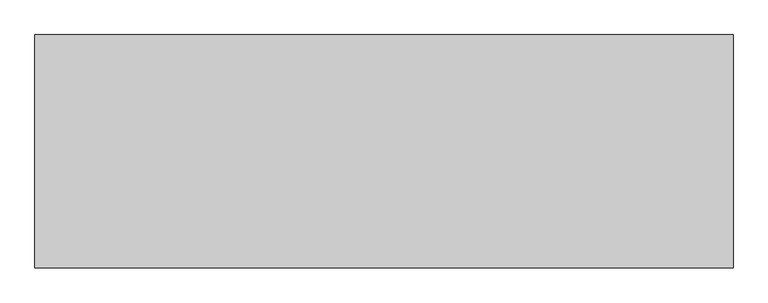
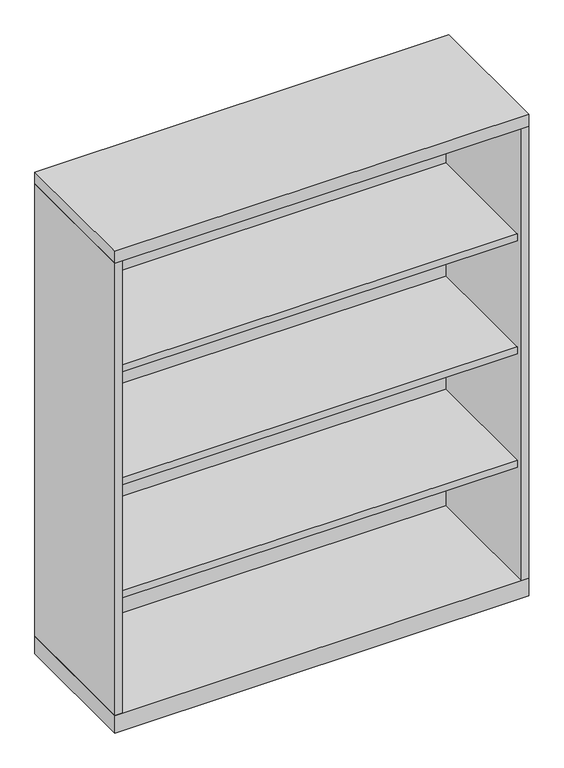
"""IFC4 building model written with IfcOpenShell, lengths in millimetres: furniture geometry."""

import ifcopenshell
import ifcopenshell.guid

model = None  # the IFC model being written
_history = None  # IfcOwnerHistory: only IFC2X3 demands one
_inside = {}  # id of a spatial element -> (the spatial element, [elements in it])
_under = {}  # id of a project, library or spatial element -> (it, [spatial elements below it])
_declared = {}  # id of a project -> (the project, [libraries it declares])
_typed = {}  # id of a type object -> (the type object, [elements of that type])
_made_of = {}  # id of a material, layer set ... -> (it, [elements and type objects made of it])


def new_model(schema):
    """Start an empty IFC model of exactly this schema.

    Asked for "IFC4X3", IfcOpenShell would pick the latest addendum, in which some entities
    have other attributes; the version numbers below select the first issue.
    IFC2X3 requires an IfcOwnerHistory on every rooted entity: one is made here for all.
    """
    global model, _history
    if schema == "IFC4X3":
        model = ifcopenshell.file(schema_version=(4, 3, 0, 0))
    else:
        model = ifcopenshell.file(schema=schema)
    _inside.clear()
    _under.clear()
    _declared.clear()
    _typed.clear()
    _made_of.clear()
    _history = None
    if model.schema == "IFC2X3":
        org = make("IfcOrganization", Name="unknown")
        user = make(
            "IfcPersonAndOrganization",
            ThePerson=make("IfcPerson", FamilyName="unknown"),
            TheOrganization=org,
        )
        app = make(
            "IfcApplication",
            ApplicationDeveloper=org,
            Version="unknown",
            ApplicationFullName="unknown",
            ApplicationIdentifier="unknown",
        )
        _history = make(
            "IfcOwnerHistory",
            OwningUser=user,
            OwningApplication=app,
            ChangeAction="ADDED",
            CreationDate=0,
        )
    return model


def make(cls, **values):
    """One entity of the class cls with the attributes given. An attribute that is None is left unset."""
    return model.create_entity(
        cls, **{name: value for name, value in values.items() if value is not None}
    )


def rooted(cls, **values):
    """An entity with a GlobalId (a new one), such as an element, a storey or a relation."""
    return make(cls, GlobalId=ifcopenshell.guid.new(), OwnerHistory=_history, **values)


def si_unit(unit_type, name, prefix=None):
    """IfcSIUnit, for example si_unit("LENGTHUNIT", "METRE", prefix="MILLI")."""
    return make("IfcSIUnit", UnitType=unit_type, Prefix=prefix, Name=name)


def assignment(units):
    """IfcUnitAssignment: the units of a project."""
    return None if units is None else make("IfcUnitAssignment", Units=units)


def point(xyz):
    """IfcCartesianPoint."""
    return None if xyz is None else make("IfcCartesianPoint", Coordinates=xyz)


def direction(xyz):
    """IfcDirection."""
    return None if xyz is None else make("IfcDirection", DirectionRatios=xyz)


def frame(location, z_axis=None, x_axis=None):
    """IfcAxis2Placement3D, a coordinate frame: its origin and axes. An axis left out is left unset."""
    return make(
        "IfcAxis2Placement3D",
        Location=point(location),
        Axis=direction(z_axis),
        RefDirection=direction(x_axis),
    )


def origin():
    """The frame at (0, 0, 0) with its axes left unset."""
    return frame((0.0, 0.0, 0.0))


def origin_with_axes():
    """The frame at (0, 0, 0) with the z axis (0, 0, 1) and the x axis (1, 0, 0) written out."""
    return frame((0.0, 0.0, 0.0), z_axis=(0.0, 0.0, 1.0), x_axis=(1.0, 0.0, 0.0))


def place(relative_to, where):
    """IfcLocalPlacement: puts the frame where relative to a parent placement (None: the world)."""
    return make(
        "IfcLocalPlacement", PlacementRelTo=relative_to, RelativePlacement=where
    )


def context(
    kind, dimensions, precision=None, world=None, true_north=None, identifier=None
):
    """IfcGeometricRepresentationContext, for example the 3D "Model" context."""
    return make(
        "IfcGeometricRepresentationContext",
        ContextIdentifier=identifier,
        ContextType=kind,
        CoordinateSpaceDimension=dimensions,
        Precision=precision,
        WorldCoordinateSystem=world,
        TrueNorth=true_north,
    )


def project(units=None, contexts=None):
    """IfcProject with its units and contexts."""
    return rooted(
        "IfcProject",
        Name="project",
        RepresentationContexts=contexts,
        UnitsInContext=assignment(units),
    )


def spatial(cls, under=None, at=None, **own):
    """A site, building, storey or space (cls), placed at a placement, below another one or the project."""
    s = rooted(cls, ObjectPlacement=at, **own)
    if under is not None:
        _under.setdefault(under.id(), (under, []))[1].append(s)
    return s


def polyline(points):
    """IfcPolyline through the points."""
    return make("IfcPolyline", Points=[point(p) for p in points])


def outline(outer, holes=None, kind="AREA"):
    """IfcArbitraryClosedProfileDef: a profile drawn as a closed curve; with holes, ...WithVoids."""
    if holes is None:
        return make("IfcArbitraryClosedProfileDef", ProfileType=kind, OuterCurve=outer)
    return make(
        "IfcArbitraryProfileDefWithVoids",
        ProfileType=kind,
        OuterCurve=outer,
        InnerCurves=holes,
    )


def extrude(swept, where, along, depth):
    """IfcExtrudedAreaSolid: the profile swept, set in the frame where, extruded along a direction by depth."""
    return make(
        "IfcExtrudedAreaSolid",
        SweptArea=swept,
        Position=where,
        ExtrudedDirection=direction(along),
        Depth=depth,
    )


def shape(context_of_items, identifier, shape_type, items):
    """IfcShapeRepresentation: the items that make up one representation, for example the "Body"."""
    return make(
        "IfcShapeRepresentation",
        ContextOfItems=context_of_items,
        RepresentationIdentifier=identifier,
        RepresentationType=shape_type,
        Items=items,
    )


def source(mapping_origin, context_of_items, identifier, shape_type, items):
    """IfcRepresentationMap: a shape defined once, which mapped items show again and again."""
    return make(
        "IfcRepresentationMap",
        MappingOrigin=mapping_origin,
        MappedRepresentation=shape(context_of_items, identifier, shape_type, items),
    )


def transform(
    local_origin,
    x_axis=None,
    y_axis=None,
    z_axis=None,
    scale=None,
    scale2=None,
    scale3=None,
    uniform=True,
):
    """IfcCartesianTransformationOperator3D, or its non-uniform kind. x_axis, y_axis, z_axis: its Axis1, 2, 3."""
    if uniform:
        return make(
            "IfcCartesianTransformationOperator3D",
            Axis1=direction(x_axis),
            Axis2=direction(y_axis),
            LocalOrigin=point(local_origin),
            Scale=scale,
            Axis3=direction(z_axis),
        )
    return make(
        "IfcCartesianTransformationOperator3DnonUniform",
        Axis1=direction(x_axis),
        Axis2=direction(y_axis),
        LocalOrigin=point(local_origin),
        Scale=scale,
        Axis3=direction(z_axis),
        Scale2=scale2,
        Scale3=scale3,
    )


def mapped(mapping_source, mapping_target):
    """IfcMappedItem: shows the shape of a source again, moved by a transform."""
    return make(
        "IfcMappedItem", MappingSource=mapping_source, MappingTarget=mapping_target
    )


def made_of(thing, what):
    """Note that an element or type object is made of a material, layer set ...; save() writes the relation."""
    if what is not None:
        _made_of.setdefault(what.id(), (what, []))[1].append(thing)
    return thing


def element(
    cls,
    number,
    at=None,
    inside=None,
    cuts=None,
    type_object=None,
    material=None,
    context=None,
    identifier="Body",
    shape_type=None,
    held_by="IfcProductDefinitionShape",
    body=None,
    shapes=None,
    **own,
):
    """One element of the class cls, such as IfcWall. Its Tag is "e" and its number.

    at: its placement. inside: the storey or other place that contains it. cuts: it is an
    opening in that element (IfcRelVoidsElement). A single representation is given by context,
    identifier, shape_type and body (its items); several are given by shapes. held_by: the class
    of the entity that holds the representations. save() writes the other relations.
    """
    e = rooted(cls, Tag="e%d" % number, ObjectPlacement=at, **own)
    if body is not None:
        shapes = [shape(context, identifier, shape_type, body)]
    if shapes is not None:
        e.Representation = make(held_by, Representations=shapes)
    if inside is not None:
        _inside.setdefault(inside.id(), (inside, []))[1].append(e)
    if cuts is not None:
        rooted(
            "IfcRelVoidsElement", RelatingBuildingElement=cuts, RelatedOpeningElement=e
        )
    if type_object is not None:
        _typed.setdefault(type_object.id(), (type_object, []))[1].append(e)
    return made_of(e, material)


def aggregate(whole, parts):
    """IfcRelAggregates: a whole, such as a stair, and the parts it consists of."""
    return rooted("IfcRelAggregates", RelatingObject=whole, RelatedObjects=parts)


def save(model, path):
    """Write the relations noted so far, then the file.

    IfcRelAggregates (storeys below a building ...), IfcRelContainedInSpatialStructure (elements
    in a storey), IfcRelDefinesByType, IfcRelAssociatesMaterial and IfcRelDeclares: one each for
    every whole, place, type object, material and project.
    """
    for whole, parts in _under.values():
        aggregate(whole, parts)
    for where, things in _inside.values():
        rooted(
            "IfcRelContainedInSpatialStructure",
            RelatedElements=things,
            RelatingStructure=where,
        )
    for kind, things in _typed.values():
        rooted("IfcRelDefinesByType", RelatedObjects=things, RelatingType=kind)
    for what, things in _made_of.values():
        rooted("IfcRelAssociatesMaterial", RelatedObjects=things, RelatingMaterial=what)
    for by, libraries in _declared.values():
        rooted("IfcRelDeclares", RelatingContext=by, RelatedDefinitions=libraries)
    model.write(path)


def furniture_db59111c(model_context):
    return source(origin(), model_context, "Body", "SweptSolid", [
        extrude(outline(polyline([(512.7625, -19.05), (512.7625, -336.55), (-512.7625, -336.55), (-512.7625, -19.05), (512.7625, -19.05)])), frame((0.0, 0.0, 652.4625), z_axis=(0.0, 0.0, 1.0), x_axis=(1.0, 0.0, 0.0)), (0.0, 0.0, 1.0), 19.05),
        extrude(outline(polyline([(512.7625, -19.05), (512.7625, -336.55), (-512.7625, -336.55), (-512.7625, -19.05), (512.7625, -19.05)])), frame((0.0, 0.0, 959.64375), z_axis=(0.0, 0.0, 1.0), x_axis=(1.0, 0.0, 0.0)), (0.0, 0.0, 1.0), 19.05),
        extrude(outline(polyline([(512.7625, -19.05), (512.7625, -336.55), (-512.7625, -336.55), (-512.7625, -19.05), (512.7625, -19.05)])), frame((0.0, 0.0, 345.28125), z_axis=(0.0, 0.0, 1.0), x_axis=(1.0, 0.0, 0.0)), (0.0, 0.0, 1.0), 19.05),
        extrude(outline(polyline([(531.8125, 0.0), (531.8125, -355.6), (-531.8125, -355.6), (-531.8125, 0.0), (531.8125, 0.0)])), origin_with_axes(), (0.0, 0.0, 1.0), 47.625),
        extrude(outline(polyline([(531.8125, 0.0), (531.8125, -355.6), (-531.8125, -355.6), (-531.8125, 0.0), (531.8125, 0.0)])), frame((0.0, 0.0, 1276.35), z_axis=(0.0, 0.0, 1.0), x_axis=(1.0, 0.0, 0.0)), (0.0, 0.0, 1.0), 31.75),
        extrude(outline(polyline([(531.8125, 0.0), (531.8125, -355.6), (512.7625, -355.6), (512.7625, -19.05), (-512.7625, -19.05), (-512.7625, -355.6), (-531.8125, -355.6), (-531.8125, 0.0), (531.8125, 0.0)])), frame((0.0, 0.0, 47.625), z_axis=(0.0, 0.0, 1.0), x_axis=(1.0, 0.0, 0.0)), (0.0, 0.0, 1.0), 1228.725),
    ])


if __name__ == "__main__":
    model = new_model("IFC4")
    model_context = context("Model", 3, world=origin())
    ifc_project = project(units=[si_unit("LENGTHUNIT", "METRE", prefix="MILLI")], contexts=[model_context])
    site = spatial("IfcSite", under=ifc_project)
    building = spatial("IfcBuilding", under=site)
    placement = place(None, origin())
    furniture_shape = furniture_db59111c(model_context)
    element("IfcFurniture", 1, at=placement, inside=building, context=model_context, shape_type="MappedRepresentation", body=[
        mapped(furniture_shape, transform((0.0, 0.0, 0.0), x_axis=(1.0, 0.0, 0.0), y_axis=(0.0, 1.0, 0.0), z_axis=(0.0, 0.0, 1.0))),
    ])
    save(model, "model.ifc")
